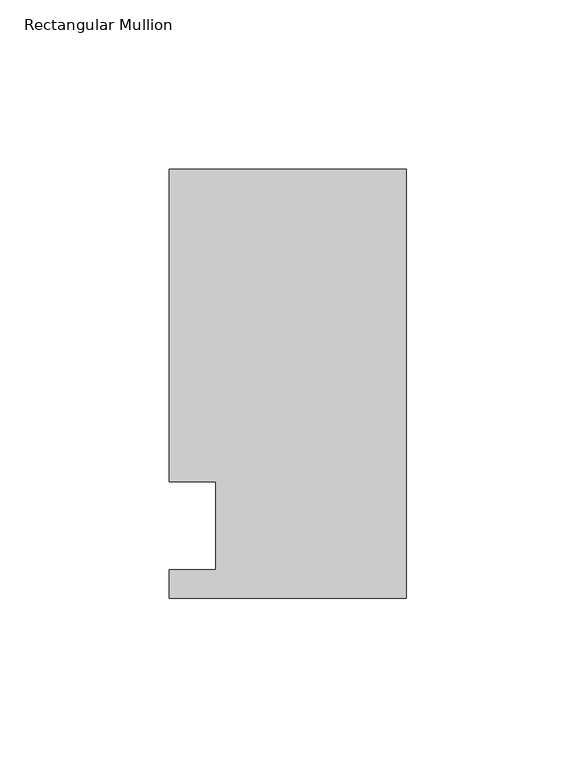
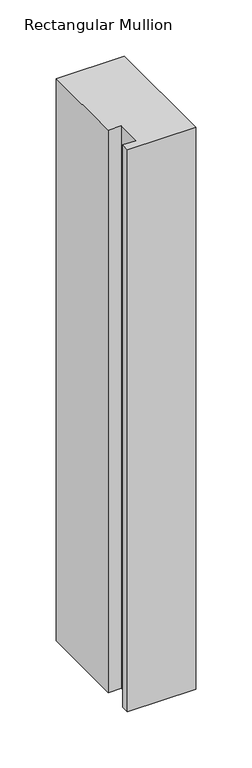
"""IFC4 building model written with IfcOpenShell, lengths in millimetres: member geometry, Rectangular Mullion."""

from ifc_helpers import new_model, si_unit, frame, origin, place, context, project, spatial, polyline, outline, extrude, source, transform, mapped, element, save


def rectangular_mullion_76cdb8e4(model_context):
    return source(origin(), model_context, "Body", "SweptSolid", [
        extrude(outline(polyline([(-69.85, -0.0111125), (-69.85, 8.3454875), (-56.2570313, 8.3454875), (-56.2570313, 34.3296875), (-69.85, 34.3296875), (-69.85, 126.4808875), (0.0, 126.4808875), (0.0, -0.0111125), (-69.85, -0.0111125)])), frame((0.0, 0.0, -609.5976187), z_axis=(0.0, 0.0, 1.0), x_axis=(1.0, 0.0, 0.0)), (0.0, 0.0, 1.0), 609.5976187),
    ])


if __name__ == "__main__":
    model = new_model("IFC4")
    model_context = context("Model", 3, world=origin())
    ifc_project = project(units=[si_unit("LENGTHUNIT", "METRE", prefix="MILLI")], contexts=[model_context])
    site = spatial("IfcSite", under=ifc_project)
    building = spatial("IfcBuilding", under=site)
    placement = place(None, origin())
    rectangular_mullion_shape = rectangular_mullion_76cdb8e4(model_context)
    element("IfcMember", 1, ObjectType="Rectangular Mullion", at=placement, inside=building, context=model_context, shape_type="MappedRepresentation", body=[
        mapped(rectangular_mullion_shape, transform((0.0, 0.0, 0.0), x_axis=(1.0, 0.0, 0.0), y_axis=(0.0, 1.0, 0.0), z_axis=(0.0, 0.0, 1.0))),
    ])
    save(model, "model.ifc")
